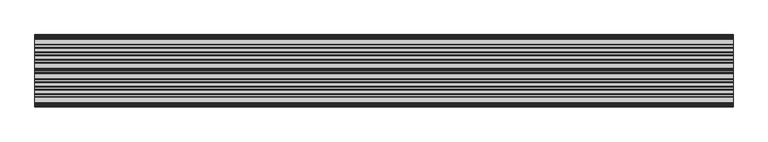
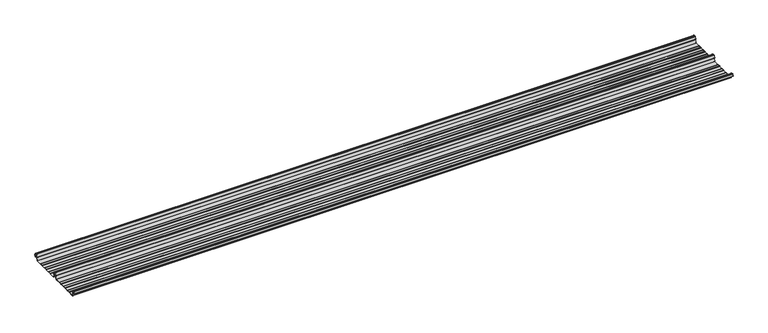
"""IFC4 building model written with IfcOpenShell, lengths in millimetres: beam geometry."""

from ifc_helpers import new_model, si_unit, point, frame, frame_2d, origin, place, context, project, spatial, polyline, circle_curve, trimmed, segment, composite_curve, outline, extrude, source, transform, mapped, element, save


def beam_091f0065(model_context):
    return source(origin(), model_context, "Body", "SweptSolid", [
        extrude(outline(composite_curve([segment(trimmed(circle_curve(frame_2d((-231.1362436, -24.0396475)), 1.75), [point((-231.1362436, -25.7896475))], [point((-232.7807057, -24.6381827))], False, "CARTESIAN"), True, "CONTINUOUS"), segment(polyline([(-232.7807057, -24.6381827), (-241.6888002, -2.1633943)]), True, "CONTINUOUS"), segment(trimmed(circle_curve(frame_2d((-240.0443381, -1.5648591)), 1.75), [point((-241.6888002, -2.1633943))], [point((-240.4972714, 0.1255111))], False, "CARTESIAN"), True, "CONTINUOUS"), segment(polyline([(-240.4972714, 0.1255111), (-237.8419476, 0.837003)]), True, "CONTINUOUS"), segment(trimmed(circle_curve(frame_2d((-238.1654714, 2.0444103)), 1.25), [point((-237.8419476, 0.837003))], [point((-236.9908556, 2.4719355))], True, "CARTESIAN"), True, "CONTINUOUS"), segment(polyline([(-236.9908556, 2.4719355), (-243.8110817, 21.2103525), (-250.0, 21.2103525), (-256.1889183, 21.2103525), (-263.0091444, 2.4719355)]), True, "CONTINUOUS"), segment(trimmed(circle_curve(frame_2d((-261.8345286, 2.0444103)), 1.25), [point((-263.0091444, 2.4719355))], [point((-262.1580524, 0.837003))], True, "CARTESIAN"), True, "CONTINUOUS"), segment(polyline([(-262.1580524, 0.837003), (-259.5027286, 0.1255111)]), True, "CONTINUOUS"), segment(trimmed(circle_curve(frame_2d((-259.9556619, -1.5648591)), 1.75), [point((-259.5027286, 0.1255111))], [point((-258.3111998, -2.1633943))], False, "CARTESIAN"), True, "CONTINUOUS"), segment(polyline([(-258.3111998, -2.1633943), (-267.2192943, -24.6381827)]), True, "CONTINUOUS"), segment(trimmed(circle_curve(frame_2d((-268.8637564, -24.0396475)), 1.75), [point((-267.2192943, -24.6381827))], [point((-268.8637564, -25.7896475))], False, "CARTESIAN"), True, "CONTINUOUS"), segment(polyline([(-268.8637564, -25.7896475), (-307.3786797, -25.7896475)]), True, "CONTINUOUS"), segment(trimmed(circle_curve(frame_2d((-307.3786797, -24.0396475)), 1.75), [point((-307.3786797, -25.7896475))], [point((-308.6161165, -25.2770843))], False, "CARTESIAN"), True, "CONTINUOUS"), segment(polyline([(-308.6161165, -25.2770843), (-310.7788845, -23.1143163)]), True, "CONTINUOUS"), segment(trimmed(circle_curve(frame_2d((-311.5627045, -23.8981363)), 1.1084889), [point((-310.7788845, -23.1143163))], [point((-311.5627045, -22.7896475))], True, "CARTESIAN"), True, "CONTINUOUS"), segment(polyline([(-311.5627045, -22.7896475), (-330.4372955, -22.7896475)]), True, "CONTINUOUS"), segment(trimmed(circle_curve(frame_2d((-330.4372955, -23.8981363)), 1.1084889), [point((-330.4372955, -22.7896475))], [point((-331.2211155, -23.1143163))], True, "CARTESIAN"), True, "CONTINUOUS"), segment(polyline([(-331.2211155, -23.1143163), (-333.3838835, -25.2770843)]), True, "CONTINUOUS"), segment(trimmed(circle_curve(frame_2d((-334.6213203, -24.0396475)), 1.75), [point((-333.3838835, -25.2770843))], [point((-334.6213203, -25.7896475))], False, "CARTESIAN"), True, "CONTINUOUS"), segment(polyline([(-334.6213203, -25.7896475), (-361.3786797, -25.7896475)]), True, "CONTINUOUS"), segment(trimmed(circle_curve(frame_2d((-361.3786797, -24.0396475)), 1.75), [point((-361.3786797, -25.7896475))], [point((-362.6161165, -25.2770843))], False, "CARTESIAN"), True, "CONTINUOUS"), segment(polyline([(-362.6161165, -25.2770843), (-364.7788845, -23.1143163)]), True, "CONTINUOUS"), segment(trimmed(circle_curve(frame_2d((-365.5627045, -23.8981363)), 1.1084889), [point((-364.7788845, -23.1143163))], [point((-365.5627045, -22.7896475))], True, "CARTESIAN"), True, "CONTINUOUS"), segment(polyline([(-365.5627045, -22.7896475), (-384.4372955, -22.7896475)]), True, "CONTINUOUS"), segment(trimmed(circle_curve(frame_2d((-384.4372955, -23.8981363)), 1.1084889), [point((-384.4372955, -22.7896475))], [point((-385.2211155, -23.1143163))], True, "CARTESIAN"), True, "CONTINUOUS"), segment(polyline([(-385.2211155, -23.1143163), (-387.3838835, -25.2770843)]), True, "CONTINUOUS"), segment(trimmed(circle_curve(frame_2d((-388.6213203, -24.0396475)), 1.75), [point((-387.3838835, -25.2770843))], [point((-388.6213203, -25.7896475))], False, "CARTESIAN"), True, "CONTINUOUS"), segment(polyline([(-388.6213203, -25.7896475), (-415.3786797, -25.7896475)]), True, "CONTINUOUS"), segment(trimmed(circle_curve(frame_2d((-415.3786797, -24.0396475)), 1.75), [point((-415.3786797, -25.7896475))], [point((-416.6161165, -25.2770843))], False, "CARTESIAN"), True, "CONTINUOUS"), segment(polyline([(-416.6161165, -25.2770843), (-418.7788845, -23.1143163)]), True, "CONTINUOUS"), segment(trimmed(circle_curve(frame_2d((-419.5627045, -23.8981363)), 1.1084889), [point((-418.7788845, -23.1143163))], [point((-419.5627045, -22.7896475))], True, "CARTESIAN"), True, "CONTINUOUS"), segment(polyline([(-419.5627045, -22.7896475), (-438.4372955, -22.7896475)]), True, "CONTINUOUS"), segment(trimmed(circle_curve(frame_2d((-438.4372955, -23.8981363)), 1.1084889), [point((-438.4372955, -22.7896475))], [point((-439.2211155, -23.1143163))], True, "CARTESIAN"), True, "CONTINUOUS"), segment(polyline([(-439.2211155, -23.1143163), (-441.3838835, -25.2770843)]), True, "CONTINUOUS"), segment(trimmed(circle_curve(frame_2d((-442.6213203, -24.0396475)), 1.75), [point((-441.3838835, -25.2770843))], [point((-442.6213203, -25.7896475))], False, "CARTESIAN"), True, "CONTINUOUS"), segment(polyline([(-442.6213203, -25.7896475), (-483.287616, -25.7896475)]), True, "CONTINUOUS"), segment(trimmed(circle_curve(frame_2d((-483.287616, -24.0396475)), 1.75), [point((-483.287616, -25.7896475))], [point((-484.8955882, -24.7302452))], False, "CARTESIAN"), True, "CONTINUOUS"), segment(polyline([(-484.8955882, -24.7302452), (-493.5565428, -2.8789816)]), True, "CONTINUOUS"), segment(trimmed(circle_curve(frame_2d((-490.0443381, -1.5648591)), 3.75), [point((-493.5565428, -2.8789816))], [point((-490.3464639, 2.1729504))], False, "CARTESIAN"), True, "CONTINUOUS"), segment(trimmed(circle_curve(frame_2d((-490.426413, 3.162057)), 0.9923325), [point((-490.3464639, 2.1729504))], [point((-489.4939255, 3.5014547))], True, "CARTESIAN"), True, "CONTINUOUS"), segment(polyline([(-489.4939255, 3.5014547), (-494.9720116, 18.5523727)]), True, "CONTINUOUS"), segment(trimmed(circle_curve(frame_2d((-495.9117043, 18.2103525)), 1.0), [point((-494.9720116, 18.5523727))], [point((-495.9117043, 19.2103525))], True, "CARTESIAN"), True, "CONTINUOUS"), segment(polyline([(-495.9117043, 19.2103525), (-504.0882957, 19.2103525)]), True, "CONTINUOUS"), segment(trimmed(circle_curve(frame_2d((-504.0882957, 18.2103525)), 1.0), [point((-504.0882957, 19.2103525))], [point((-505.0279884, 18.5523727))], True, "CARTESIAN"), True, "CONTINUOUS"), segment(polyline([(-505.0279884, 18.5523727), (-510.4799156, 3.5733257)]), True, "CONTINUOUS"), segment(trimmed(circle_curve(frame_2d((-510.9497619, 3.7443357)), 0.5), [point((-510.4799156, 3.5733257))], [point((-511.4196082, 3.9153458))], False, "CARTESIAN"), True, "CONTINUOUS"), segment(polyline([(-511.4196082, 3.9153458), (-505.967681, 18.8943928)]), True, "CONTINUOUS"), segment(trimmed(circle_curve(frame_2d((-504.0882957, 18.2103525)), 2.0), [point((-505.967681, 18.8943928))], [point((-504.0882957, 20.2103525))], False, "CARTESIAN"), True, "CONTINUOUS"), segment(polyline([(-504.0882957, 20.2103525), (-495.9117043, 20.2103525)]), True, "CONTINUOUS"), segment(trimmed(circle_curve(frame_2d((-495.9117043, 18.2103525)), 2.0), [point((-495.9117043, 20.2103525))], [point((-494.032319, 18.8943928))], False, "CARTESIAN"), True, "CONTINUOUS"), segment(polyline([(-494.032319, 18.8943928), (-488.5542329, 3.8434749)]), True, "CONTINUOUS"), segment(trimmed(circle_curve(frame_2d((-490.426413, 3.162057)), 1.9923325), [point((-488.5542329, 3.8434749))], [point((-490.265897, 1.1762012))], False, "CARTESIAN"), True, "CONTINUOUS"), segment(trimmed(circle_curve(frame_2d((-490.0443381, -1.5648591)), 2.75), [point((-490.265897, 1.1762012))], [point((-492.6230664, -2.5201915))], True, "CARTESIAN"), True, "CONTINUOUS"), segment(polyline([(-492.6230664, -2.5201915), (-483.9722515, -24.3458733)]), True, "CONTINUOUS"), segment(trimmed(circle_curve(frame_2d((-483.287616, -24.0396475)), 0.75), [point((-483.9722515, -24.3458733))], [point((-483.287616, -24.7896475))], True, "CARTESIAN"), True, "CONTINUOUS"), segment(polyline([(-483.287616, -24.7896475), (-442.7420401, -24.7896475)]), True, "CONTINUOUS"), segment(trimmed(circle_curve(frame_2d((-442.7420401, -23.7482041)), 1.0414433), [point((-442.7420401, -24.7896475))], [point((-442.0056285, -24.4846158))], True, "CARTESIAN"), True, "CONTINUOUS"), segment(polyline([(-442.0056285, -24.4846158), (-439.9696699, -22.4486572)]), True, "CONTINUOUS"), segment(trimmed(circle_curve(frame_2d((-438.3786797, -24.0396475)), 2.25), [point((-439.9696699, -22.4486572))], [point((-438.3786797, -21.7896475))], False, "CARTESIAN"), True, "CONTINUOUS"), segment(polyline([(-438.3786797, -21.7896475), (-419.6213203, -21.7896475)]), True, "CONTINUOUS"), segment(trimmed(circle_curve(frame_2d((-419.6213203, -24.0396475)), 2.25), [point((-419.6213203, -21.7896475))], [point((-418.0303301, -22.4486572))], False, "CARTESIAN"), True, "CONTINUOUS"), segment(polyline([(-418.0303301, -22.4486572), (-415.9943715, -24.4846158)]), True, "CONTINUOUS"), segment(trimmed(circle_curve(frame_2d((-415.2579599, -23.7482041)), 1.0414433), [point((-415.9943715, -24.4846158))], [point((-415.2579599, -24.7896475))], True, "CARTESIAN"), True, "CONTINUOUS"), segment(polyline([(-415.2579599, -24.7896475), (-388.7420401, -24.7896475)]), True, "CONTINUOUS"), segment(trimmed(circle_curve(frame_2d((-388.7420401, -23.7482041)), 1.0414433), [point((-388.7420401, -24.7896475))], [point((-388.0056285, -24.4846158))], True, "CARTESIAN"), True, "CONTINUOUS"), segment(polyline([(-388.0056285, -24.4846158), (-385.9696699, -22.4486572)]), True, "CONTINUOUS"), segment(trimmed(circle_curve(frame_2d((-384.3786797, -24.0396475)), 2.25), [point((-385.9696699, -22.4486572))], [point((-384.3786797, -21.7896475))], False, "CARTESIAN"), True, "CONTINUOUS"), segment(polyline([(-384.3786797, -21.7896475), (-365.6213203, -21.7896475)]), True, "CONTINUOUS"), segment(trimmed(circle_curve(frame_2d((-365.6213203, -24.0396475)), 2.25), [point((-365.6213203, -21.7896475))], [point((-364.0303301, -22.4486572))], False, "CARTESIAN"), True, "CONTINUOUS"), segment(polyline([(-364.0303301, -22.4486572), (-361.9943715, -24.4846158)]), True, "CONTINUOUS"), segment(trimmed(circle_curve(frame_2d((-361.2579599, -23.7482041)), 1.0414433), [point((-361.9943715, -24.4846158))], [point((-361.2579599, -24.7896475))], True, "CARTESIAN"), True, "CONTINUOUS"), segment(polyline([(-361.2579599, -24.7896475), (-334.7420401, -24.7896475)]), True, "CONTINUOUS"), segment(trimmed(circle_curve(frame_2d((-334.7420401, -23.7482041)), 1.0414433), [point((-334.7420401, -24.7896475))], [point((-334.0056285, -24.4846158))], True, "CARTESIAN"), True, "CONTINUOUS"), segment(polyline([(-334.0056285, -24.4846158), (-331.9696699, -22.4486572)]), True, "CONTINUOUS"), segment(trimmed(circle_curve(frame_2d((-330.3786797, -24.0396475)), 2.25), [point((-331.9696699, -22.4486572))], [point((-330.3786797, -21.7896475))], False, "CARTESIAN"), True, "CONTINUOUS"), segment(polyline([(-330.3786797, -21.7896475), (-311.6213203, -21.7896475)]), True, "CONTINUOUS"), segment(trimmed(circle_curve(frame_2d((-311.6213203, -24.0396475)), 2.25), [point((-311.6213203, -21.7896475))], [point((-310.0303301, -22.4486572))], False, "CARTESIAN"), True, "CONTINUOUS"), segment(polyline([(-310.0303301, -22.4486572), (-307.9943715, -24.4846158)]), True, "CONTINUOUS"), segment(trimmed(circle_curve(frame_2d((-307.2579599, -23.7482041)), 1.0414433), [point((-307.9943715, -24.4846158))], [point((-307.2579599, -24.7896475))], True, "CARTESIAN"), True, "CONTINUOUS"), segment(polyline([(-307.2579599, -24.7896475), (-268.8637564, -24.7896475)]), True, "CONTINUOUS"), segment(trimmed(circle_curve(frame_2d((-268.8637564, -24.0396475)), 0.75), [point((-268.8637564, -24.7896475))], [point((-268.1552359, -24.2856122))], True, "CARTESIAN"), True, "CONTINUOUS"), segment(polyline([(-268.1552359, -24.2856122), (-259.2471414, -1.8108238)]), True, "CONTINUOUS"), segment(trimmed(circle_curve(frame_2d((-259.9556619, -1.5648591)), 0.75), [point((-259.2471414, -1.8108238))], [point((-259.7615476, -0.8404147))], True, "CARTESIAN"), True, "CONTINUOUS"), segment(polyline([(-259.7615476, -0.8404147), (-262.4168715, -0.1289228)]), True, "CONTINUOUS"), segment(trimmed(circle_curve(frame_2d((-261.8345286, 2.0444103)), 2.25), [point((-262.4168715, -0.1289228))], [point((-263.948837, 2.8139556))], False, "CARTESIAN"), True, "CONTINUOUS"), segment(polyline([(-263.948837, 2.8139556), (-257.1273286, 21.5558959)]), True, "CONTINUOUS"), segment(trimmed(circle_curve(frame_2d((-256.1926676, 21.2157071)), 0.9946455), [point((-257.1273286, 21.5558959))], [point((-256.1926676, 22.2103525))], False, "CARTESIAN"), True, "CONTINUOUS"), segment(polyline([(-256.1926676, 22.2103525), (-250.0, 22.2103525), (-243.8073324, 22.2103525)]), True, "CONTINUOUS"), segment(trimmed(circle_curve(frame_2d((-243.8073324, 21.2157071)), 0.9946455), [point((-243.8073324, 22.2103525))], [point((-242.8726714, 21.5558959))], False, "CARTESIAN"), True, "CONTINUOUS"), segment(polyline([(-242.8726714, 21.5558959), (-236.051163, 2.8139556)]), True, "CONTINUOUS"), segment(trimmed(circle_curve(frame_2d((-238.1654714, 2.0444103)), 2.25), [point((-236.051163, 2.8139556))], [point((-237.5831285, -0.1289228))], False, "CARTESIAN"), True, "CONTINUOUS"), segment(polyline([(-237.5831285, -0.1289228), (-240.2384524, -0.8404147)]), True, "CONTINUOUS"), segment(trimmed(circle_curve(frame_2d((-240.0443381, -1.5648591)), 0.75), [point((-240.2384524, -0.8404147))], [point((-240.7528586, -1.8108238))], True, "CARTESIAN"), True, "CONTINUOUS"), segment(polyline([(-240.7528586, -1.8108238), (-231.8447641, -24.2856122)]), True, "CONTINUOUS"), segment(trimmed(circle_curve(frame_2d((-231.1362436, -24.0396475)), 0.75), [point((-231.8447641, -24.2856122))], [point((-231.1362436, -24.7896475))], True, "CARTESIAN"), True, "CONTINUOUS"), segment(polyline([(-231.1362436, -24.7896475), (-192.7420401, -24.7896475)]), True, "CONTINUOUS"), segment(trimmed(circle_curve(frame_2d((-192.7420401, -23.7482041)), 1.0414433), [point((-192.7420401, -24.7896475))], [point((-192.0056285, -24.4846158))], True, "CARTESIAN"), True, "CONTINUOUS"), segment(polyline([(-192.0056285, -24.4846158), (-189.9696699, -22.4486572)]), True, "CONTINUOUS"), segment(trimmed(circle_curve(frame_2d((-188.3786797, -24.0396475)), 2.25), [point((-189.9696699, -22.4486572))], [point((-188.3786797, -21.7896475))], False, "CARTESIAN"), True, "CONTINUOUS"), segment(polyline([(-188.3786797, -21.7896475), (-169.6213203, -21.7896475)]), True, "CONTINUOUS"), segment(trimmed(circle_curve(frame_2d((-169.6213203, -24.0396475)), 2.25), [point((-169.6213203, -21.7896475))], [point((-168.0303301, -22.4486572))], False, "CARTESIAN"), True, "CONTINUOUS"), segment(polyline([(-168.0303301, -22.4486572), (-165.9943715, -24.4846158)]), True, "CONTINUOUS"), segment(trimmed(circle_curve(frame_2d((-165.2579599, -23.7482041)), 1.0414433), [point((-165.9943715, -24.4846158))], [point((-165.2579599, -24.7896475))], True, "CARTESIAN"), True, "CONTINUOUS"), segment(polyline([(-165.2579599, -24.7896475), (-138.7420401, -24.7896475)]), True, "CONTINUOUS"), segment(trimmed(circle_curve(frame_2d((-138.7420401, -23.7482041)), 1.0414433), [point((-138.7420401, -24.7896475))], [point((-138.0056285, -24.4846158))], True, "CARTESIAN"), True, "CONTINUOUS"), segment(polyline([(-138.0056285, -24.4846158), (-135.9696699, -22.4486572)]), True, "CONTINUOUS"), segment(trimmed(circle_curve(frame_2d((-134.3786797, -24.0396475)), 2.25), [point((-135.9696699, -22.4486572))], [point((-134.3786797, -21.7896475))], False, "CARTESIAN"), True, "CONTINUOUS"), segment(polyline([(-134.3786797, -21.7896475), (-115.6213203, -21.7896475)]), True, "CONTINUOUS"), segment(trimmed(circle_curve(frame_2d((-115.6213203, -24.0396475)), 2.25), [point((-115.6213203, -21.7896475))], [point((-114.0303301, -22.4486572))], False, "CARTESIAN"), True, "CONTINUOUS"), segment(polyline([(-114.0303301, -22.4486572), (-111.9943715, -24.4846158)]), True, "CONTINUOUS"), segment(trimmed(circle_curve(frame_2d((-111.2579599, -23.7482041)), 1.0414433), [point((-111.9943715, -24.4846158))], [point((-111.2579599, -24.7896475))], True, "CARTESIAN"), True, "CONTINUOUS"), segment(polyline([(-111.2579599, -24.7896475), (-84.7420401, -24.7896475)]), True, "CONTINUOUS"), segment(trimmed(circle_curve(frame_2d((-84.7420401, -23.7482041)), 1.0414433), [point((-84.7420401, -24.7896475))], [point((-84.0056285, -24.4846158))], True, "CARTESIAN"), True, "CONTINUOUS"), segment(polyline([(-84.0056285, -24.4846158), (-81.9696699, -22.4486572)]), True, "CONTINUOUS"), segment(trimmed(circle_curve(frame_2d((-80.3786797, -24.0396475)), 2.25), [point((-81.9696699, -22.4486572))], [point((-80.3786797, -21.7896475))], False, "CARTESIAN"), True, "CONTINUOUS"), segment(polyline([(-80.3786797, -21.7896475), (-61.6213203, -21.7896475)]), True, "CONTINUOUS"), segment(trimmed(circle_curve(frame_2d((-61.6213203, -24.0396475)), 2.25), [point((-61.6213203, -21.7896475))], [point((-60.0303301, -22.4486572))], False, "CARTESIAN"), True, "CONTINUOUS"), segment(polyline([(-60.0303301, -22.4486572), (-57.9943715, -24.4846158)]), True, "CONTINUOUS"), segment(trimmed(circle_curve(frame_2d((-57.2579599, -23.7482041)), 1.0414433), [point((-57.9943715, -24.4846158))], [point((-57.2579599, -24.7896475))], True, "CARTESIAN"), True, "CONTINUOUS"), segment(polyline([(-57.2579599, -24.7896475), (-18.8637564, -24.7896475)]), True, "CONTINUOUS"), segment(trimmed(circle_curve(frame_2d((-18.8637564, -24.0396475)), 0.75), [point((-18.8637564, -24.7896475))], [point((-18.1552359, -24.2856122))], True, "CARTESIAN"), True, "CONTINUOUS"), segment(polyline([(-18.1552359, -24.2856122), (-9.2471414, -1.8108238)]), True, "CONTINUOUS"), segment(trimmed(circle_curve(frame_2d((-9.9556619, -1.5648591)), 0.75), [point((-9.2471414, -1.8108238))], [point((-9.7615476, -0.8404147))], True, "CARTESIAN"), True, "CONTINUOUS"), segment(polyline([(-9.7615476, -0.8404147), (-12.4168715, -0.1289228)]), True, "CONTINUOUS"), segment(trimmed(circle_curve(frame_2d((-11.8345286, 2.0444103)), 2.25), [point((-12.4168715, -0.1289228))], [point((-13.948837, 2.8139556))], False, "CARTESIAN"), True, "CONTINUOUS"), segment(polyline([(-13.948837, 2.8139556), (-7.1273286, 21.5558959)]), True, "CONTINUOUS"), segment(trimmed(circle_curve(frame_2d((-6.1926676, 21.2157071)), 0.9946455), [point((-7.1273286, 21.5558959))], [point((-6.1926676, 22.2103525))], False, "CARTESIAN"), True, "CONTINUOUS"), segment(polyline([(-6.1926676, 22.2103525), (0.0, 22.2103525), (6.1926676, 22.2103525)]), True, "CONTINUOUS"), segment(trimmed(circle_curve(frame_2d((6.1926676, 21.2157071)), 0.9946455), [point((6.1926676, 22.2103525))], [point((7.1273286, 21.5558959))], False, "CARTESIAN"), True, "CONTINUOUS"), segment(polyline([(7.1273286, 21.5558959), (13.948837, 2.8139556)]), True, "CONTINUOUS"), segment(trimmed(circle_curve(frame_2d((11.8345286, 2.0444103)), 2.25), [point((13.948837, 2.8139556))], [point((12.4168715, -0.1289228))], False, "CARTESIAN"), True, "CONTINUOUS"), segment(polyline([(12.4168715, -0.1289228), (9.7615476, -0.8404147)]), True, "CONTINUOUS"), segment(trimmed(circle_curve(frame_2d((9.9556619, -1.5648591)), 0.75), [point((9.7615476, -0.8404147))], [point((9.2471414, -1.8108238))], True, "CARTESIAN"), True, "CONTINUOUS"), segment(polyline([(9.2471414, -1.8108238), (12.5127954, -10.0499465)]), True, "CONTINUOUS"), segment(trimmed(circle_curve(frame_2d((12.0479758, -10.2341821)), 0.5), [point((12.5127954, -10.0499465))], [point((11.5831563, -10.4184177))], False, "CARTESIAN"), True, "CONTINUOUS"), segment(polyline([(11.5831563, -10.4184177), (8.3111998, -2.1633943)]), True, "CONTINUOUS"), segment(trimmed(circle_curve(frame_2d((9.9556619, -1.5648591)), 1.75), [point((8.3111998, -2.1633943))], [point((9.5027286, 0.1255111))], False, "CARTESIAN"), True, "CONTINUOUS"), segment(polyline([(9.5027286, 0.1255111), (12.1580524, 0.837003)]), True, "CONTINUOUS"), segment(trimmed(circle_curve(frame_2d((11.8345286, 2.0444103)), 1.25), [point((12.1580524, 0.837003))], [point((13.0091444, 2.4719355))], True, "CARTESIAN"), True, "CONTINUOUS"), segment(polyline([(13.0091444, 2.4719355), (6.1889183, 21.2103525), (0.0, 21.2103525), (-6.1889183, 21.2103525), (-13.0091444, 2.4719355)]), True, "CONTINUOUS"), segment(trimmed(circle_curve(frame_2d((-11.8345286, 2.0444103)), 1.25), [point((-13.0091444, 2.4719355))], [point((-12.1580524, 0.837003))], True, "CARTESIAN"), True, "CONTINUOUS"), segment(polyline([(-12.1580524, 0.837003), (-9.5027286, 0.1255111)]), True, "CONTINUOUS"), segment(trimmed(circle_curve(frame_2d((-9.9556619, -1.5648591)), 1.75), [point((-9.5027286, 0.1255111))], [point((-8.3111998, -2.1633943))], False, "CARTESIAN"), True, "CONTINUOUS"), segment(polyline([(-8.3111998, -2.1633943), (-17.2192943, -24.6381827)]), True, "CONTINUOUS"), segment(trimmed(circle_curve(frame_2d((-18.8637564, -24.0396475)), 1.75), [point((-17.2192943, -24.6381827))], [point((-18.8637564, -25.7896475))], False, "CARTESIAN"), True, "CONTINUOUS"), segment(polyline([(-18.8637564, -25.7896475), (-57.3786797, -25.7896475)]), True, "CONTINUOUS"), segment(trimmed(circle_curve(frame_2d((-57.3786797, -24.0396475)), 1.75), [point((-57.3786797, -25.7896475))], [point((-58.6161165, -25.2770843))], False, "CARTESIAN"), True, "CONTINUOUS"), segment(polyline([(-58.6161165, -25.2770843), (-60.7788845, -23.1143163)]), True, "CONTINUOUS"), segment(trimmed(circle_curve(frame_2d((-61.5627045, -23.8981363)), 1.1084889), [point((-60.7788845, -23.1143163))], [point((-61.5627045, -22.7896475))], True, "CARTESIAN"), True, "CONTINUOUS"), segment(polyline([(-61.5627045, -22.7896475), (-80.4372955, -22.7896475)]), True, "CONTINUOUS"), segment(trimmed(circle_curve(frame_2d((-80.4372955, -23.8981363)), 1.1084889), [point((-80.4372955, -22.7896475))], [point((-81.2211155, -23.1143163))], True, "CARTESIAN"), True, "CONTINUOUS"), segment(polyline([(-81.2211155, -23.1143163), (-83.3838835, -25.2770843)]), True, "CONTINUOUS"), segment(trimmed(circle_curve(frame_2d((-84.6213203, -24.0396475)), 1.75), [point((-83.3838835, -25.2770843))], [point((-84.6213203, -25.7896475))], False, "CARTESIAN"), True, "CONTINUOUS"), segment(polyline([(-84.6213203, -25.7896475), (-111.3786797, -25.7896475)]), True, "CONTINUOUS"), segment(trimmed(circle_curve(frame_2d((-111.3786797, -24.0396475)), 1.75), [point((-111.3786797, -25.7896475))], [point((-112.6161165, -25.2770843))], False, "CARTESIAN"), True, "CONTINUOUS"), segment(polyline([(-112.6161165, -25.2770843), (-114.7788845, -23.1143163)]), True, "CONTINUOUS"), segment(trimmed(circle_curve(frame_2d((-115.5627045, -23.8981363)), 1.1084889), [point((-114.7788845, -23.1143163))], [point((-115.5627045, -22.7896475))], True, "CARTESIAN"), True, "CONTINUOUS"), segment(polyline([(-115.5627045, -22.7896475), (-134.4372955, -22.7896475)]), True, "CONTINUOUS"), segment(trimmed(circle_curve(frame_2d((-134.4372955, -23.8981363)), 1.1084889), [point((-134.4372955, -22.7896475))], [point((-135.2211155, -23.1143163))], True, "CARTESIAN"), True, "CONTINUOUS"), segment(polyline([(-135.2211155, -23.1143163), (-137.3838835, -25.2770843)]), True, "CONTINUOUS"), segment(trimmed(circle_curve(frame_2d((-138.6213203, -24.0396475)), 1.75), [point((-137.3838835, -25.2770843))], [point((-138.6213203, -25.7896475))], False, "CARTESIAN"), True, "CONTINUOUS"), segment(polyline([(-138.6213203, -25.7896475), (-165.3786797, -25.7896475)]), True, "CONTINUOUS"), segment(trimmed(circle_curve(frame_2d((-165.3786797, -24.0396475)), 1.75), [point((-165.3786797, -25.7896475))], [point((-166.6161165, -25.2770843))], False, "CARTESIAN"), True, "CONTINUOUS"), segment(polyline([(-166.6161165, -25.2770843), (-168.7788845, -23.1143163)]), True, "CONTINUOUS"), segment(trimmed(circle_curve(frame_2d((-169.5627045, -23.8981363)), 1.1084889), [point((-168.7788845, -23.1143163))], [point((-169.5627045, -22.7896475))], True, "CARTESIAN"), True, "CONTINUOUS"), segment(polyline([(-169.5627045, -22.7896475), (-188.4372955, -22.7896475)]), True, "CONTINUOUS"), segment(trimmed(circle_curve(frame_2d((-188.4372955, -23.8981363)), 1.1084889), [point((-188.4372955, -22.7896475))], [point((-189.2211155, -23.1143163))], True, "CARTESIAN"), True, "CONTINUOUS"), segment(polyline([(-189.2211155, -23.1143163), (-191.3838835, -25.2770843)]), True, "CONTINUOUS"), segment(trimmed(circle_curve(frame_2d((-192.6213203, -24.0396475)), 1.75), [point((-191.3838835, -25.2770843))], [point((-192.6213203, -25.7896475))], False, "CARTESIAN"), True, "CONTINUOUS"), segment(polyline([(-192.6213203, -25.7896475), (-231.1362436, -25.7896475)]), True, "CONTINUOUS")], self_intersect=False)), frame((-2535.0, 0.0, 0.0), z_axis=(1.0, 0.0, 0.0), x_axis=(0.0, 1.0, 0.0)), (0.0, 0.0, 1.0), 5070.0),
    ])


if __name__ == "__main__":
    model = new_model("IFC4")
    model_context = context("Model", 3, world=origin())
    ifc_project = project(units=[si_unit("LENGTHUNIT", "METRE", prefix="MILLI")], contexts=[model_context])
    site = spatial("IfcSite", under=ifc_project)
    building = spatial("IfcBuilding", under=site)
    placement = place(None, origin())
    beam_shape = beam_091f0065(model_context)
    element("IfcBeam", 1, at=placement, inside=building, context=model_context, shape_type="MappedRepresentation", body=[
        mapped(beam_shape, transform((0.0, 0.0, 0.0), x_axis=(1.0, 0.0, 0.0), y_axis=(0.0, 1.0, 0.0), z_axis=(0.0, 0.0, 1.0))),
    ])
    save(model, "model.ifc")
